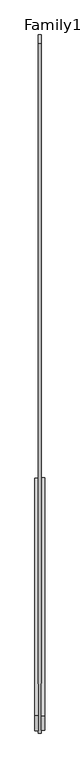
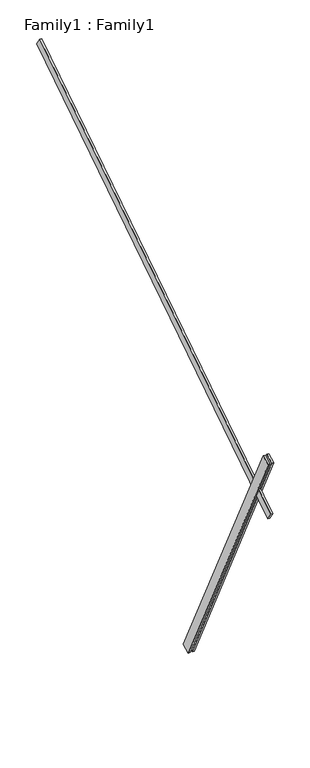
"""IFC4 building model written with IfcOpenShell, lengths in millimetres: proxy geometry, Family1 : Family1."""

from ifc_helpers import new_model, si_unit, frame, origin, place, context, project, spatial, polyline, outline, extrude, source, transform, mapped, element, save


def family1_family1_33e64dfc(model_context):
    return source(origin(), model_context, "Body", "SweptSolid", [
        extrude(outline(polyline([(0.0, 0.0), (-100.0000001, 0.0), (-100.0000001, 20.0), (0.0, 20.0), (0.0, 0.0)])), frame((-30.0, -46.3241747, -22.5938096), z_axis=(0.0, -0.4383711467890692, 0.8987940462991711), x_axis=(0.0, -0.8987940462991711, -0.4383711467890692)), (0.0, 0.0, 1.0), 3300.0),
        extrude(outline(polyline([(0.0, 0.0), (-99.9999999, 0.0), (-99.9999999, 20.0), (0.0, 20.0), (0.0, 0.0)])), frame((10.0, -45.270232, -22.0797674), z_axis=(0.0, -0.4383711467890692, 0.8987940462991711), x_axis=(0.0, -0.8987940462991711, -0.4383711467890692)), (0.0, 0.0, 1.0), 3300.0),
        extrude(outline(polyline([(0.0, 20.0), (5000.0, 20.0), (5000.0, 0.0), (0.0, 0.0), (0.0, 20.0)])), frame((-10.0, 2740.0871816, 5033.5469306), z_axis=(0.0, -0.5446390350150292, 0.8386705679454228), x_axis=(0.0, -0.8386705679454228, -0.5446390350150292)), (0.0, 0.0, 1.0), 100.0),
    ])


if __name__ == "__main__":
    model = new_model("IFC4")
    model_context = context("Model", 3, world=origin())
    ifc_project = project(units=[si_unit("LENGTHUNIT", "METRE", prefix="MILLI")], contexts=[model_context])
    site = spatial("IfcSite", under=ifc_project)
    building = spatial("IfcBuilding", under=site)
    placement = place(None, origin())
    family1_family1_shape = family1_family1_33e64dfc(model_context)
    element("IfcBuildingElementProxy", 1, Name="Family1 : Family1", ObjectType="Family1 : Family1", at=placement, inside=building, context=model_context, shape_type="MappedRepresentation", body=[
        mapped(family1_family1_shape, transform((0.0, 0.0, 0.0), x_axis=(1.0, 0.0, 0.0), y_axis=(0.0, 1.0, 0.0), z_axis=(0.0, 0.0, 1.0))),
    ])
    save(model, "model.ifc")
